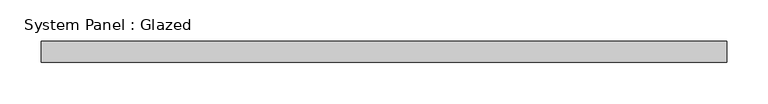
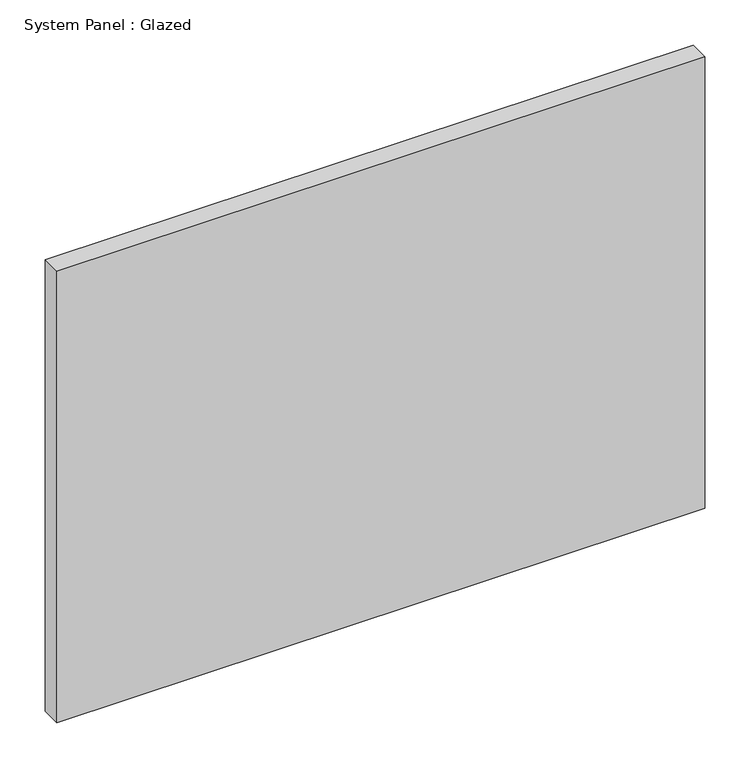
"""IFC4 building model written with IfcOpenShell, lengths in millimetres: plate geometry, System Panel : Glazed."""

from ifc_helpers import new_model, si_unit, origin, origin_with_axes, place, context, project, spatial, polyline, outline, extrude, source, transform, mapped, element, save


def system_panel_glazed_f567da37(model_context):
    return source(origin(), model_context, "Body", "SweptSolid", [
        extrude(outline(polyline([(413.7295416, 19.05), (-413.7295416, 19.05), (-413.7295416, 44.45), (413.7295416, 44.45), (413.7295416, 19.05)])), origin_with_axes(), (0.0, 0.0, 1.0), 609.6),
    ])


if __name__ == "__main__":
    model = new_model("IFC4")
    model_context = context("Model", 3, world=origin())
    ifc_project = project(units=[si_unit("LENGTHUNIT", "METRE", prefix="MILLI")], contexts=[model_context])
    site = spatial("IfcSite", under=ifc_project)
    building = spatial("IfcBuilding", under=site)
    placement = place(None, origin())
    system_panel_glazed_shape = system_panel_glazed_f567da37(model_context)
    element("IfcPlate", 1, ObjectType="System Panel : Glazed", at=placement, inside=building, context=model_context, shape_type="MappedRepresentation", body=[
        mapped(system_panel_glazed_shape, transform((0.0, 0.0, 0.0), x_axis=(1.0, 0.0, 0.0), y_axis=(0.0, 1.0, 0.0), z_axis=(0.0, 0.0, 1.0))),
    ])
    save(model, "model.ifc")
